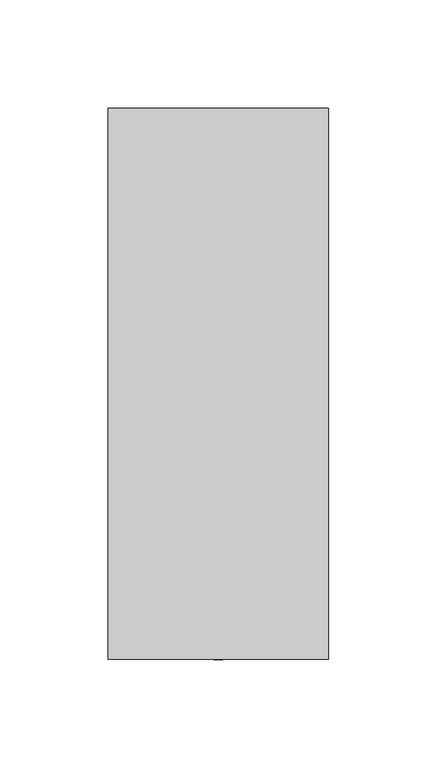
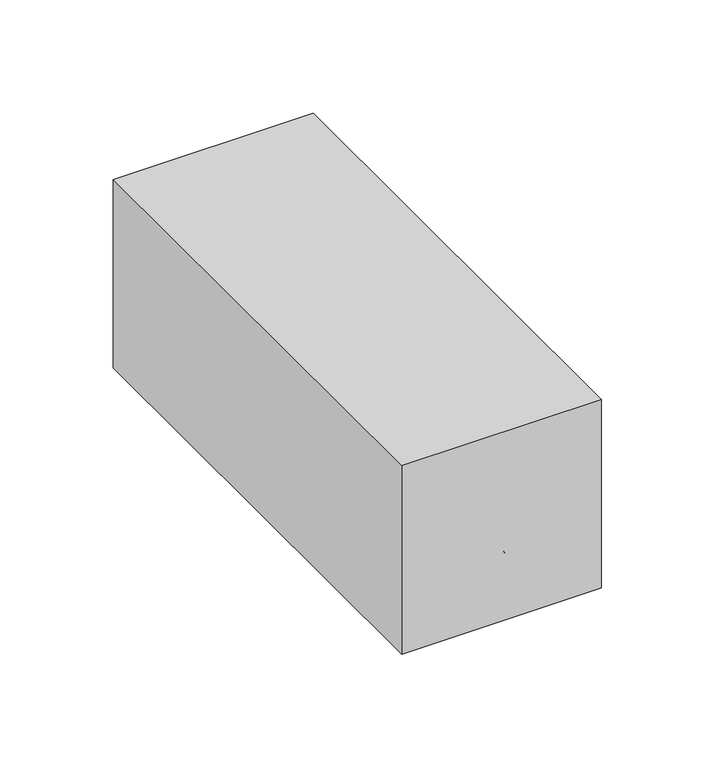
"""IFC4 building model written with IfcOpenShell, lengths in millimetres: proxy geometry."""

from ifc_helpers import new_model, si_unit, point, frame, frame_2d, origin, origin_with_axes, place, context, project, spatial, polyline, circle_curve, trimmed, segment, composite_curve, outline, extrude, source, transform, mapped, element, save
from ifc_brep_helpers import plane_surface, cylinder_surface, revolved_surface, advanced_brep


def specialty_equipment_235a6406(model_context):
    return source(origin(), model_context, "Body", "SolidModel", [
        extrude(outline(polyline([(-50.8, 254.0), (50.8, 254.0), (50.8, 0.0), (-50.8, 0.0), (-50.8, 254.0)])), origin_with_axes(), (0.0, 0.0, 1.0), 101.6),
        extrude(outline(composite_curve([segment(trimmed(circle_curve(frame_2d((0.0, 43.7511243)), 11.1125), [point((-11.1125, 43.7511243))], [point((11.1125, 43.7511243))], False, "CARTESIAN"), True, "CONTINUOUS"), segment(trimmed(circle_curve(frame_2d((0.0, 43.7511243)), 11.1125), [point((11.1125, 43.7511243))], [point((-11.1125, 43.7511243))], False, "CARTESIAN"), True, "CONTINUOUS")], self_intersect=False)), origin_with_axes(), (0.0, 0.0, 1.0), 12.1432676),
        extrude(outline(composite_curve([segment(trimmed(circle_curve(frame_2d((0.0, 43.7511243)), 6.35), [point((-6.35, 43.7511243))], [point((6.35, 43.7511243))], False, "CARTESIAN"), True, "CONTINUOUS"), segment(trimmed(circle_curve(frame_2d((0.0, 43.7511243)), 6.35), [point((6.35, 43.7511243))], [point((-6.35, 43.7511243))], False, "CARTESIAN"), True, "CONTINUOUS")], self_intersect=False)), frame((0.0, 0.0, 12.1432676), z_axis=(0.0, 0.0, 1.0), x_axis=(1.0, 0.0, 0.0)), (0.0, 0.0, 1.0), 11.6740858),
        extrude(outline(composite_curve([segment(trimmed(circle_curve(frame_2d((0.0, 43.7511243)), 11.1125), [point((-11.1125, 43.7511243))], [point((11.1125, 43.7511243))], False, "CARTESIAN"), True, "CONTINUOUS"), segment(trimmed(circle_curve(frame_2d((0.0, 43.7511243)), 11.1125), [point((11.1125, 43.7511243))], [point((-11.1125, 43.7511243))], False, "CARTESIAN"), True, "CONTINUOUS")], self_intersect=False)), frame((0.0, 0.0, 12.8429111), z_axis=(0.0, 0.0, 1.0), x_axis=(1.0, 0.0, 0.0)), (0.0, 0.0, 1.0), 3.7345018),
        advanced_brep(
        [(0.0, 195.0035492, 41.6430751), (0.0, 195.0035492, 28.9430751), (0.0, 77.2962509, 43.2305751), (0.0, 77.2962509, 27.3555751)],
        [
            (0, 1, circle_curve(frame((0.0, 195.0035492, 35.2930751), z_axis=(0.0, 1.0, 0.0), x_axis=(0.0, 0.0, 1.0)), 6.35)),
            (1, 0, circle_curve(frame((0.0, 195.0035492, 35.2930751), z_axis=(0.0, 1.0, 0.0), x_axis=(0.0, 0.0, -1.0)), 6.35)),
            (2, 3, circle_curve(frame((0.0, 77.2962509, 35.2930751), z_axis=(0.0, -1.0, 0.0), x_axis=(0.0, 0.0, -1.0)), 7.9375)),
            (3, 2, circle_curve(frame((0.0, 77.2962509, 35.2930751), z_axis=(0.0, -1.0, 0.0), x_axis=(0.0, 0.0, 1.0)), 7.9375)),
            (3, 1),
            (0, 2),
        ],
        [
            plane_surface(frame((0.0, 195.0035492, 35.2930751), z_axis=(0.0, 1.0, 0.0), x_axis=(1.0, 0.0, 0.0))),
            plane_surface(frame((0.0, 77.2962509, 35.2930751), z_axis=(0.0, -1.0, 0.0), x_axis=(1.0, 0.0, 0.0))),
            revolved_surface(polyline([(0.0, 195.0035492, 41.64307510053948), (0.0, 77.29625090000002, 43.2305751)]), (0.0, 665.8327426, 35.2930751), (0.0, -1.0, 0.0)),
            revolved_surface(polyline([(0.0, 195.0035492, 28.943075099460525), (0.0, 77.29625090000002, 27.3555751)]), (0.0, 665.8327426, 35.2930751), (0.0, -1.0, 0.0)),
        ],
        [
            (0, [[1, 2]]),
            (1, [[3, 4]]),
            (2, [[-4, 5, -1, 6]]),
            (3, [[-3, -6, -2, -5]]),
        ],
    ),
        extrude(outline(composite_curve([segment(trimmed(circle_curve(frame_2d((0.0, 56.2938544)), 15.875), [point((-15.875, 56.2938544))], [point((15.875, 56.2938544))], False, "CARTESIAN"), True, "CONTINUOUS"), segment(trimmed(circle_curve(frame_2d((0.0, 56.2938544)), 15.875), [point((15.875, 56.2938544))], [point((-15.875, 56.2938544))], False, "CARTESIAN"), True, "CONTINUOUS")], self_intersect=False)), frame((0.0, 0.0, 73.7139717), z_axis=(0.0, 0.0, 1.0), x_axis=(1.0, 0.0, 0.0)), (0.0, 0.0, 1.0), 9.1021363),
        advanced_brep(
        [(0.0, 197.9462509, 44.8180751), (0.0, 197.9462509, 25.7680751), (0.0, 77.2962509, 46.4055751), (0.0, 77.2962509, 24.1805751)],
        [
            (0, 1, circle_curve(frame((0.0, 197.9462509, 35.2930751), z_axis=(0.0, 1.0, 0.0), x_axis=(0.0, 0.0, 1.0)), 9.525)),
            (1, 0, circle_curve(frame((0.0, 197.9462509, 35.2930751), z_axis=(0.0, 1.0, 0.0), x_axis=(0.0, 0.0, -1.0)), 9.525)),
            (2, 3, circle_curve(frame((0.0, 77.2962509, 35.2930751), z_axis=(0.0, -1.0, 0.0), x_axis=(0.0, 0.0, -1.0)), 11.1125)),
            (3, 2, circle_curve(frame((0.0, 77.2962509, 35.2930751), z_axis=(0.0, -1.0, 0.0), x_axis=(0.0, 0.0, 1.0)), 11.1125)),
            (3, 1),
            (0, 2),
        ],
        [
            plane_surface(frame((0.0, 197.9462509, 35.2930751), z_axis=(0.0, 1.0, 0.0), x_axis=(1.0, 0.0, 0.0))),
            plane_surface(frame((0.0, 77.2962509, 35.2930751), z_axis=(0.0, -1.0, 0.0), x_axis=(1.0, 0.0, 0.0))),
            revolved_surface(polyline([(0.0, 197.9462509, 44.8180751), (0.0, 77.29625090000002, 46.4055751)]), (0.0, 921.8462509, 35.2930751), (0.0, -1.0, 0.0)),
            revolved_surface(polyline([(0.0, 197.9462509, 25.768075099999997), (0.0, 77.29625090000002, 24.1805751)]), (0.0, 921.8462509, 35.2930751), (0.0, -1.0, 0.0)),
        ],
        [
            (0, [[1, 2]]),
            (1, [[3, 4]]),
            (2, [[-4, 5, -1, 6]]),
            (3, [[-3, -6, -2, -5]]),
        ],
    ),
        advanced_brep(
        [(16.4405012, 77.2962509, 35.2930751), (-16.4405012, 77.2962509, 35.2930751), (0.0, 77.2962509, 35.2930751), (17.4336479, 76.3031042, 35.2930751), (-17.4336479, 76.3031042, 35.2930751), (17.4336479, 64.5962509, 35.2930751), (-17.4336479, 64.5962509, 35.2930751), (14.6960919, 64.5962509, 35.2930751), (-14.6960919, 64.5962509, 35.2930751), (14.6960919, 63.5321613, 35.2930751), (-14.6960919, 63.5321613, 35.2930751), (15.9348033, 63.5321613, 35.2930751), (-15.9348033, 63.5321613, 35.2930751), (15.9348033, 33.3696613, 35.2930751), (-15.9348033, 33.3696613, 35.2930751), (8.893951, 30.7772209, 35.2930751), (-8.893951, 30.7772209, 35.2930751), (4.4469755, 30.7772209, 35.2930751), (-4.4469755, 30.7772209, 35.2930751), (4.4469755, 25.4, 35.2930751), (-4.4469755, 25.4, 35.2930751), (0.0, 25.4, 35.2930751)],
        [
            (0, 1, circle_curve(frame((0.0, 77.2962509, 35.2930751), z_axis=(0.0, 1.0, 0.0), x_axis=(-1.0, 0.0, 0.0)), 16.4405012)),
            (1, 2),
            (2, 0),
            (1, 0, circle_curve(frame((0.0, 77.2962509, 35.2930751), z_axis=(0.0, 1.0, 0.0), x_axis=(-1.0, 0.0, 0.0)), 16.4405012)),
            (3, 4, circle_curve(frame((0.0, 76.3031042, 35.2930751), z_axis=(0.0, 1.0, 0.0), x_axis=(-1.0, 0.0, 0.0)), 17.4336479)),
            (4, 1),
            (0, 3),
            (4, 3, circle_curve(frame((0.0, 76.3031042, 35.2930751), z_axis=(0.0, 1.0, 0.0), x_axis=(-1.0, 0.0, 0.0)), 17.4336479)),
            (5, 6, circle_curve(frame((0.0, 64.5962509, 35.2930751), z_axis=(0.0, 1.0, 0.0), x_axis=(-1.0, 0.0, 0.0)), 17.4336479)),
            (6, 4),
            (3, 5),
            (6, 5, circle_curve(frame((0.0, 64.5962509, 35.2930751), z_axis=(0.0, 1.0, 0.0), x_axis=(-1.0, 0.0, 0.0)), 17.4336479)),
            (7, 8, circle_curve(frame((0.0, 64.5962509, 35.2930751), z_axis=(0.0, 1.0, 0.0), x_axis=(-1.0, 0.0, 0.0)), 14.6960919)),
            (8, 6),
            (5, 7),
            (8, 7, circle_curve(frame((0.0, 64.5962509, 35.2930751), z_axis=(0.0, 1.0, 0.0), x_axis=(-1.0, 0.0, 0.0)), 14.6960919)),
            (9, 10, circle_curve(frame((0.0, 63.5321613, 35.2930751), z_axis=(0.0, 1.0, 0.0), x_axis=(-1.0, 0.0, 0.0)), 14.6960919)),
            (10, 8),
            (7, 9),
            (10, 9, circle_curve(frame((0.0, 63.5321613, 35.2930751), z_axis=(0.0, 1.0, 0.0), x_axis=(-1.0, 0.0, 0.0)), 14.6960919)),
            (11, 12, circle_curve(frame((0.0, 63.5321613, 35.2930751), z_axis=(0.0, 1.0, 0.0), x_axis=(-1.0, 0.0, 0.0)), 15.9348033)),
            (12, 10),
            (9, 11),
            (12, 11, circle_curve(frame((0.0, 63.5321613, 35.2930751), z_axis=(0.0, 1.0, 0.0), x_axis=(-1.0, 0.0, 0.0)), 15.9348033)),
            (13, 14, circle_curve(frame((0.0, 33.3696613, 35.2930751), z_axis=(0.0, 1.0, 0.0), x_axis=(-1.0, 0.0, 0.0)), 15.9348033)),
            (14, 12),
            (11, 13),
            (14, 13, circle_curve(frame((0.0, 33.3696613, 35.2930751), z_axis=(0.0, 1.0, 0.0), x_axis=(-1.0, 0.0, 0.0)), 15.9348033)),
            (15, 16, circle_curve(frame((0.0, 30.7772209, 35.2930751), z_axis=(0.0, 1.0, 0.0), x_axis=(-1.0, 0.0, 0.0)), 8.893951)),
            (16, 14),
            (13, 15),
            (16, 15, circle_curve(frame((0.0, 30.7772209, 35.2930751), z_axis=(0.0, 1.0, 0.0), x_axis=(-1.0, 0.0, 0.0)), 8.893951)),
            (17, 18, circle_curve(frame((0.0, 30.7772209, 35.2930751), z_axis=(0.0, 1.0, 0.0), x_axis=(-1.0, 0.0, 0.0)), 4.4469755)),
            (18, 16),
            (15, 17),
            (18, 17, circle_curve(frame((0.0, 30.7772209, 35.2930751), z_axis=(0.0, 1.0, 0.0), x_axis=(-1.0, 0.0, 0.0)), 4.4469755)),
            (19, 20, circle_curve(frame((0.0, 25.4, 35.2930751), z_axis=(0.0, 1.0, 0.0), x_axis=(-1.0, 0.0, 0.0)), 4.4469755)),
            (20, 18),
            (17, 19),
            (20, 19, circle_curve(frame((0.0, 25.4, 35.2930751), z_axis=(0.0, 1.0, 0.0), x_axis=(-1.0, 0.0, 0.0)), 4.4469755)),
            (21, 20),
            (19, 21),
        ],
        [
            plane_surface(frame((0.0, 77.2962509, 35.2930751), z_axis=(0.0, 1.0, 0.0), x_axis=(-1.0, 0.0, 0.0))),
            revolved_surface(polyline([(-16.4405012, 77.2962509, 35.2930751), (-17.4336479, 76.3031042, 35.2930751)]), (0.0, 77.2962509, 35.2930751), (0.0, -1.0, 0.0)),
            cylinder_surface(frame((0.0, 77.2962509, 35.2930751), z_axis=(0.0, -1.0, 0.0), x_axis=(-1.0, 0.0, 0.0)), 17.4336479),
            plane_surface(frame((0.0, 64.5962509, 35.2930751), z_axis=(0.0, -1.0, 0.0), x_axis=(-1.0, 0.0, 0.0))),
            cylinder_surface(frame((0.0, 77.2962509, 35.2930751), z_axis=(0.0, -1.0, 0.0), x_axis=(-1.0, 0.0, 0.0)), 14.6960919),
            plane_surface(frame((0.0, 63.5321613, 35.2930751), z_axis=(0.0, 1.0, 0.0), x_axis=(-1.0, 0.0, 0.0))),
            cylinder_surface(frame((0.0, 77.2962509, 35.2930751), z_axis=(0.0, -1.0, 0.0), x_axis=(-1.0, 0.0, 0.0)), 15.9348033),
            revolved_surface(polyline([(-15.9348033, 33.3696613, 35.2930751), (-8.893951, 30.7772209, 35.2930751)]), (0.0, 77.2962509, 35.2930751), (0.0, -1.0, 0.0)),
            plane_surface(frame((0.0, 30.7772209, 35.2930751), z_axis=(0.0, -1.0, 0.0), x_axis=(-1.0, 0.0, 0.0))),
            cylinder_surface(frame((0.0, 77.2962509, 35.2930751), z_axis=(0.0, -1.0, 0.0), x_axis=(-1.0, 0.0, 0.0)), 4.4469755),
            plane_surface(frame((0.0, 25.4, 35.2930751), z_axis=(0.0, -1.0, 0.0), x_axis=(-1.0, 0.0, 0.0))),
        ],
        [
            (0, [[1, 2, 3]]),
            (0, [[4, -3, -2]]),
            (1, [[5, 6, -1, 7]]),
            (1, [[8, -7, -4, -6]]),
            (2, [[9, 10, -5, 11]]),
            (2, [[12, -11, -8, -10]]),
            (3, [[13, 14, -9, 15]]),
            (3, [[16, -15, -12, -14]]),
            (4, [[17, 18, -13, 19]]),
            (4, [[20, -19, -16, -18]]),
            (5, [[21, 22, -17, 23]]),
            (5, [[24, -23, -20, -22]]),
            (6, [[25, 26, -21, 27]]),
            (6, [[28, -27, -24, -26]]),
            (7, [[29, 30, -25, 31]]),
            (7, [[32, -31, -28, -30]]),
            (8, [[33, 34, -29, 35]]),
            (8, [[36, -35, -32, -34]]),
            (9, [[37, 38, -33, 39]]),
            (9, [[40, -39, -36, -38]]),
            (10, [[41, -37, 42]]),
            (10, [[-42, -40, -41]]),
        ],
    ),
        extrude(outline(composite_curve([segment(trimmed(circle_curve(frame_2d((0.0, 56.2938544)), 4.7625), [point((-4.7625, 56.2938544))], [point((4.7625, 56.2938544))], False, "CARTESIAN"), True, "CONTINUOUS"), segment(trimmed(circle_curve(frame_2d((0.0, 56.2938544)), 4.7625), [point((4.7625, 56.2938544))], [point((-4.7625, 56.2938544))], False, "CARTESIAN"), True, "CONTINUOUS")], self_intersect=False)), frame((0.0, 0.0, 50.024421), z_axis=(0.0, 0.0, 1.0), x_axis=(1.0, 0.0, 0.0)), (0.0, 0.0, 1.0), 33.6662415),
        extrude(outline(polyline([(-4.0213654, 63.2590636), (4.0213654, 63.2590636), (8.0427308, 56.2938544), (4.0213654, 49.3286452), (-4.0213654, 49.3286452), (-8.0427308, 56.2938544), (-4.0213654, 63.2590636)])), frame((0.0, 0.0, 54.0167391), z_axis=(0.0, 0.0, 1.0), x_axis=(1.0, 0.0, 0.0)), (0.0, 0.0, 1.0), 12.0291395),
        advanced_brep(
        [(5.8611698, 21.8455296, 35.2930751), (-5.8611698, 21.8455296, 35.2930751), (-5.8611698, 25.4, 35.2930751), (5.8611698, 25.4, 35.2930751), (2.0092135, 0.0, 35.2930751), (-2.0092135, 0.0, 35.2930751), (0.0, 0.0, 35.2930751), (0.0, 25.4, 35.2930751)],
        [
            (0, 1, circle_curve(frame((0.0, 21.8455296, 35.2930751), z_axis=(0.0, 1.0, 0.0), x_axis=(-1.0, 0.0, 0.0)), 5.8611698)),
            (1, 2),
            (2, 3, circle_curve(frame((0.0, 25.4, 35.2930751), z_axis=(0.0, -1.0, 0.0), x_axis=(-1.0, 0.0, 0.0)), 5.8611698)),
            (3, 0),
            (1, 0, circle_curve(frame((0.0, 21.8455296, 35.2930751), z_axis=(0.0, 1.0, 0.0), x_axis=(-1.0, 0.0, 0.0)), 5.8611698)),
            (3, 2, circle_curve(frame((0.0, 25.4, 35.2930751), z_axis=(0.0, -1.0, 0.0), x_axis=(-1.0, 0.0, 0.0)), 5.8611698)),
            (4, 5, circle_curve(frame((0.0, 0.0, 35.2930751), z_axis=(0.0, 1.0, 0.0), x_axis=(-1.0, 0.0, 0.0)), 2.0092135)),
            (5, 1),
            (0, 4),
            (5, 4, circle_curve(frame((0.0, 0.0, 35.2930751), z_axis=(0.0, 1.0, 0.0), x_axis=(-1.0, 0.0, 0.0)), 2.0092135)),
            (6, 5),
            (4, 6),
            (2, 7),
            (7, 3),
        ],
        [
            cylinder_surface(frame((0.0, 23.4018459, 35.2930751), z_axis=(0.0, -1.0, 0.0), x_axis=(-1.0, 0.0, 0.0)), 5.8611698),
            revolved_surface(polyline([(-5.8611698, 21.8455296, 35.2930751), (-2.0092135, 0.0, 35.2930751)]), (0.0, 23.4018459, 35.2930751), (0.0, -1.0, 0.0)),
            plane_surface(frame((0.0, 0.0, 35.2930751), z_axis=(0.0, -1.0, 0.0), x_axis=(-1.0, 0.0, 0.0))),
            plane_surface(frame((0.0, 25.4, 35.2930751), z_axis=(0.0, 1.0, 0.0), x_axis=(-1.0, 0.0, 0.0))),
        ],
        [
            (0, [[1, 2, 3, 4]]),
            (0, [[5, -4, 6, -2]]),
            (1, [[7, 8, -1, 9]]),
            (1, [[10, -9, -5, -8]]),
            (2, [[11, -7, 12]]),
            (2, [[-12, -10, -11]]),
            (3, [[-3, 13, 14]]),
            (3, [[-6, -14, -13]]),
        ],
    ),
    ])


if __name__ == "__main__":
    model = new_model("IFC4")
    model_context = context("Model", 3, world=origin())
    ifc_project = project(units=[si_unit("LENGTHUNIT", "METRE", prefix="MILLI")], contexts=[model_context])
    site = spatial("IfcSite", under=ifc_project)
    building = spatial("IfcBuilding", under=site)
    placement = place(None, origin())
    specialty_equipment_shape = specialty_equipment_235a6406(model_context)
    element("IfcBuildingElementProxy", 1, Name="Specialty Equipment", at=placement, inside=building, context=model_context, shape_type="MappedRepresentation", body=[
        mapped(specialty_equipment_shape, transform((0.0, 0.0, 0.0), x_axis=(1.0, 0.0, 0.0), y_axis=(0.0, 1.0, 0.0), z_axis=(0.0, 0.0, 1.0))),
    ])
    save(model, "model.ifc")
